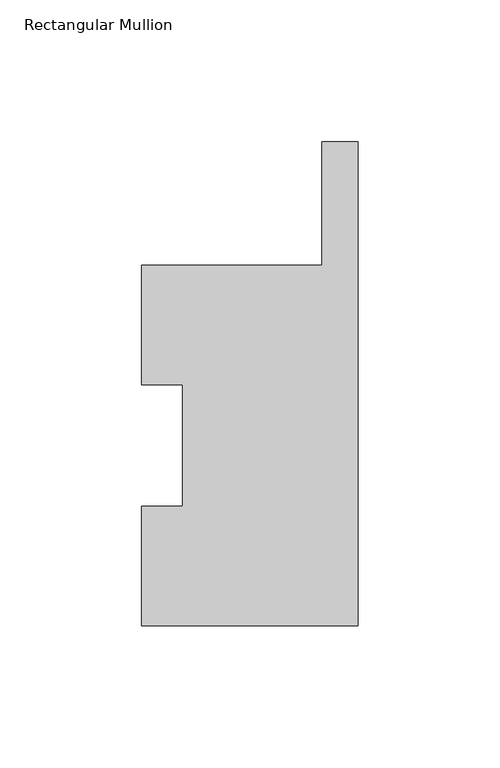
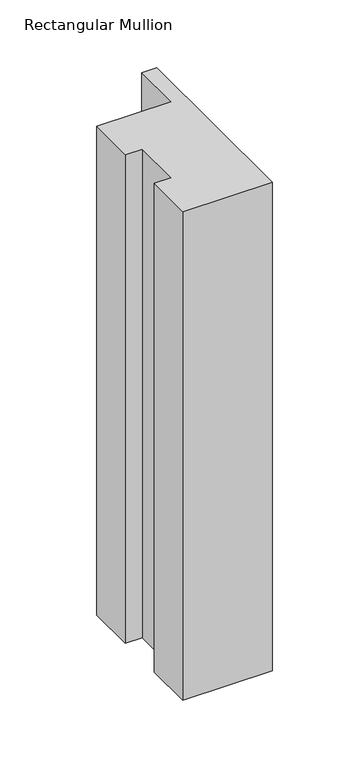
"""IFC4 building model written with IfcOpenShell, lengths in millimetres: member geometry, Rectangular Mullion."""

import ifcopenshell
import ifcopenshell.guid

model = None  # the IFC model being written
_history = None  # IfcOwnerHistory: only IFC2X3 demands one
_inside = {}  # id of a spatial element -> (the spatial element, [elements in it])
_under = {}  # id of a project, library or spatial element -> (it, [spatial elements below it])
_declared = {}  # id of a project -> (the project, [libraries it declares])
_typed = {}  # id of a type object -> (the type object, [elements of that type])
_made_of = {}  # id of a material, layer set ... -> (it, [elements and type objects made of it])


def new_model(schema):
    """Start an empty IFC model of exactly this schema.

    Asked for "IFC4X3", IfcOpenShell would pick the latest addendum, in which some entities
    have other attributes; the version numbers below select the first issue.
    IFC2X3 requires an IfcOwnerHistory on every rooted entity: one is made here for all.
    """
    global model, _history
    if schema == "IFC4X3":
        model = ifcopenshell.file(schema_version=(4, 3, 0, 0))
    else:
        model = ifcopenshell.file(schema=schema)
    _inside.clear()
    _under.clear()
    _declared.clear()
    _typed.clear()
    _made_of.clear()
    _history = None
    if model.schema == "IFC2X3":
        org = make("IfcOrganization", Name="unknown")
        user = make(
            "IfcPersonAndOrganization",
            ThePerson=make("IfcPerson", FamilyName="unknown"),
            TheOrganization=org,
        )
        app = make(
            "IfcApplication",
            ApplicationDeveloper=org,
            Version="unknown",
            ApplicationFullName="unknown",
            ApplicationIdentifier="unknown",
        )
        _history = make(
            "IfcOwnerHistory",
            OwningUser=user,
            OwningApplication=app,
            ChangeAction="ADDED",
            CreationDate=0,
        )
    return model


def make(cls, **values):
    """One entity of the class cls with the attributes given. An attribute that is None is left unset."""
    return model.create_entity(
        cls, **{name: value for name, value in values.items() if value is not None}
    )


def rooted(cls, **values):
    """An entity with a GlobalId (a new one), such as an element, a storey or a relation."""
    return make(cls, GlobalId=ifcopenshell.guid.new(), OwnerHistory=_history, **values)


def si_unit(unit_type, name, prefix=None):
    """IfcSIUnit, for example si_unit("LENGTHUNIT", "METRE", prefix="MILLI")."""
    return make("IfcSIUnit", UnitType=unit_type, Prefix=prefix, Name=name)


def assignment(units):
    """IfcUnitAssignment: the units of a project."""
    return None if units is None else make("IfcUnitAssignment", Units=units)


def point(xyz):
    """IfcCartesianPoint."""
    return None if xyz is None else make("IfcCartesianPoint", Coordinates=xyz)


def direction(xyz):
    """IfcDirection."""
    return None if xyz is None else make("IfcDirection", DirectionRatios=xyz)


def frame(location, z_axis=None, x_axis=None):
    """IfcAxis2Placement3D, a coordinate frame: its origin and axes. An axis left out is left unset."""
    return make(
        "IfcAxis2Placement3D",
        Location=point(location),
        Axis=direction(z_axis),
        RefDirection=direction(x_axis),
    )


def origin():
    """The frame at (0, 0, 0) with its axes left unset."""
    return frame((0.0, 0.0, 0.0))


def place(relative_to, where):
    """IfcLocalPlacement: puts the frame where relative to a parent placement (None: the world)."""
    return make(
        "IfcLocalPlacement", PlacementRelTo=relative_to, RelativePlacement=where
    )


def context(
    kind, dimensions, precision=None, world=None, true_north=None, identifier=None
):
    """IfcGeometricRepresentationContext, for example the 3D "Model" context."""
    return make(
        "IfcGeometricRepresentationContext",
        ContextIdentifier=identifier,
        ContextType=kind,
        CoordinateSpaceDimension=dimensions,
        Precision=precision,
        WorldCoordinateSystem=world,
        TrueNorth=true_north,
    )


def project(units=None, contexts=None):
    """IfcProject with its units and contexts."""
    return rooted(
        "IfcProject",
        Name="project",
        RepresentationContexts=contexts,
        UnitsInContext=assignment(units),
    )


def spatial(cls, under=None, at=None, **own):
    """A site, building, storey or space (cls), placed at a placement, below another one or the project."""
    s = rooted(cls, ObjectPlacement=at, **own)
    if under is not None:
        _under.setdefault(under.id(), (under, []))[1].append(s)
    return s


def polyline(points):
    """IfcPolyline through the points."""
    return make("IfcPolyline", Points=[point(p) for p in points])


def outline(outer, holes=None, kind="AREA"):
    """IfcArbitraryClosedProfileDef: a profile drawn as a closed curve; with holes, ...WithVoids."""
    if holes is None:
        return make("IfcArbitraryClosedProfileDef", ProfileType=kind, OuterCurve=outer)
    return make(
        "IfcArbitraryProfileDefWithVoids",
        ProfileType=kind,
        OuterCurve=outer,
        InnerCurves=holes,
    )


def extrude(swept, where, along, depth):
    """IfcExtrudedAreaSolid: the profile swept, set in the frame where, extruded along a direction by depth."""
    return make(
        "IfcExtrudedAreaSolid",
        SweptArea=swept,
        Position=where,
        ExtrudedDirection=direction(along),
        Depth=depth,
    )


def shape(context_of_items, identifier, shape_type, items):
    """IfcShapeRepresentation: the items that make up one representation, for example the "Body"."""
    return make(
        "IfcShapeRepresentation",
        ContextOfItems=context_of_items,
        RepresentationIdentifier=identifier,
        RepresentationType=shape_type,
        Items=items,
    )


def source(mapping_origin, context_of_items, identifier, shape_type, items):
    """IfcRepresentationMap: a shape defined once, which mapped items show again and again."""
    return make(
        "IfcRepresentationMap",
        MappingOrigin=mapping_origin,
        MappedRepresentation=shape(context_of_items, identifier, shape_type, items),
    )


def transform(
    local_origin,
    x_axis=None,
    y_axis=None,
    z_axis=None,
    scale=None,
    scale2=None,
    scale3=None,
    uniform=True,
):
    """IfcCartesianTransformationOperator3D, or its non-uniform kind. x_axis, y_axis, z_axis: its Axis1, 2, 3."""
    if uniform:
        return make(
            "IfcCartesianTransformationOperator3D",
            Axis1=direction(x_axis),
            Axis2=direction(y_axis),
            LocalOrigin=point(local_origin),
            Scale=scale,
            Axis3=direction(z_axis),
        )
    return make(
        "IfcCartesianTransformationOperator3DnonUniform",
        Axis1=direction(x_axis),
        Axis2=direction(y_axis),
        LocalOrigin=point(local_origin),
        Scale=scale,
        Axis3=direction(z_axis),
        Scale2=scale2,
        Scale3=scale3,
    )


def mapped(mapping_source, mapping_target):
    """IfcMappedItem: shows the shape of a source again, moved by a transform."""
    return make(
        "IfcMappedItem", MappingSource=mapping_source, MappingTarget=mapping_target
    )


def made_of(thing, what):
    """Note that an element or type object is made of a material, layer set ...; save() writes the relation."""
    if what is not None:
        _made_of.setdefault(what.id(), (what, []))[1].append(thing)
    return thing


def element(
    cls,
    number,
    at=None,
    inside=None,
    cuts=None,
    type_object=None,
    material=None,
    context=None,
    identifier="Body",
    shape_type=None,
    held_by="IfcProductDefinitionShape",
    body=None,
    shapes=None,
    **own,
):
    """One element of the class cls, such as IfcWall. Its Tag is "e" and its number.

    at: its placement. inside: the storey or other place that contains it. cuts: it is an
    opening in that element (IfcRelVoidsElement). A single representation is given by context,
    identifier, shape_type and body (its items); several are given by shapes. held_by: the class
    of the entity that holds the representations. save() writes the other relations.
    """
    e = rooted(cls, Tag="e%d" % number, ObjectPlacement=at, **own)
    if body is not None:
        shapes = [shape(context, identifier, shape_type, body)]
    if shapes is not None:
        e.Representation = make(held_by, Representations=shapes)
    if inside is not None:
        _inside.setdefault(inside.id(), (inside, []))[1].append(e)
    if cuts is not None:
        rooted(
            "IfcRelVoidsElement", RelatingBuildingElement=cuts, RelatedOpeningElement=e
        )
    if type_object is not None:
        _typed.setdefault(type_object.id(), (type_object, []))[1].append(e)
    return made_of(e, material)


def aggregate(whole, parts):
    """IfcRelAggregates: a whole, such as a stair, and the parts it consists of."""
    return rooted("IfcRelAggregates", RelatingObject=whole, RelatedObjects=parts)


def save(model, path):
    """Write the relations noted so far, then the file.

    IfcRelAggregates (storeys below a building ...), IfcRelContainedInSpatialStructure (elements
    in a storey), IfcRelDefinesByType, IfcRelAssociatesMaterial and IfcRelDeclares: one each for
    every whole, place, type object, material and project.
    """
    for whole, parts in _under.values():
        aggregate(whole, parts)
    for where, things in _inside.values():
        rooted(
            "IfcRelContainedInSpatialStructure",
            RelatedElements=things,
            RelatingStructure=where,
        )
    for kind, things in _typed.values():
        rooted("IfcRelDefinesByType", RelatedObjects=things, RelatingType=kind)
    for what, things in _made_of.values():
        rooted("IfcRelAssociatesMaterial", RelatedObjects=things, RelatingMaterial=what)
    for by, libraries in _declared.values():
        rooted("IfcRelDeclares", RelatingContext=by, RelatedDefinitions=libraries)
    model.write(path)


def rectangular_mullion_17f7b6c3(model_context):
    return source(origin(), model_context, "Body", "SweptSolid", [
        extrude(outline(polyline([(-12.7, 127.006348), (-12.7, 170.4246878), (0.0, 170.4246878), (0.0, 0.0063465), (-76.2, 0.0063465), (-76.2, 42.0814491), (-61.9125, 42.0814491), (-61.9125, 84.93125), (-76.2, 84.93125), (-76.2, 127.006348), (-12.7, 127.006348)])), frame((0.0, 0.0, -441.325), z_axis=(0.0, 0.0, 1.0), x_axis=(1.0, 0.0, 0.0)), (0.0, 0.0, 1.0), 441.325),
    ])


if __name__ == "__main__":
    model = new_model("IFC4")
    model_context = context("Model", 3, world=origin())
    ifc_project = project(units=[si_unit("LENGTHUNIT", "METRE", prefix="MILLI")], contexts=[model_context])
    site = spatial("IfcSite", under=ifc_project)
    building = spatial("IfcBuilding", under=site)
    placement = place(None, origin())
    rectangular_mullion_shape = rectangular_mullion_17f7b6c3(model_context)
    element("IfcMember", 1, ObjectType="Rectangular Mullion", at=placement, inside=building, context=model_context, shape_type="MappedRepresentation", body=[
        mapped(rectangular_mullion_shape, transform((0.0, 0.0, 0.0), x_axis=(1.0, 0.0, 0.0), y_axis=(0.0, 1.0, 0.0), z_axis=(0.0, 0.0, 1.0))),
    ])
    save(model, "model.ifc")
